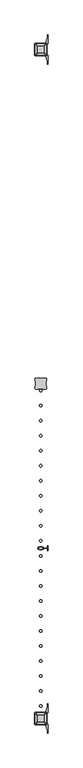
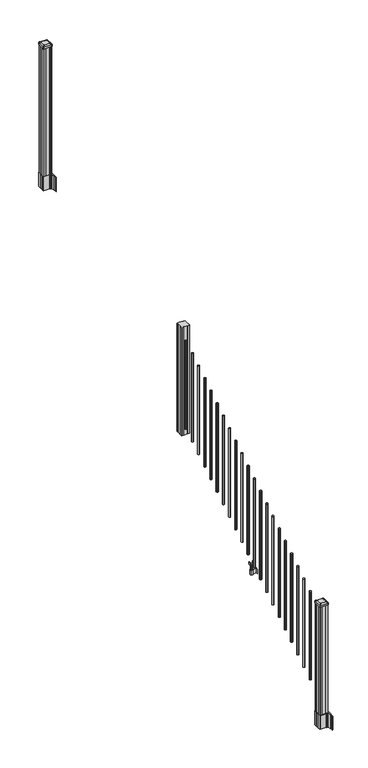
"""IFC4 building model written with IfcOpenShell, lengths in millimetres: railing geometry."""

import ifcopenshell
import ifcopenshell.guid

model = None  # the IFC model being written
_history = None  # IfcOwnerHistory: only IFC2X3 demands one
_inside = {}  # id of a spatial element -> (the spatial element, [elements in it])
_under = {}  # id of a project, library or spatial element -> (it, [spatial elements below it])
_declared = {}  # id of a project -> (the project, [libraries it declares])
_typed = {}  # id of a type object -> (the type object, [elements of that type])
_made_of = {}  # id of a material, layer set ... -> (it, [elements and type objects made of it])


def new_model(schema):
    """Start an empty IFC model of exactly this schema.

    Asked for "IFC4X3", IfcOpenShell would pick the latest addendum, in which some entities
    have other attributes; the version numbers below select the first issue.
    IFC2X3 requires an IfcOwnerHistory on every rooted entity: one is made here for all.
    """
    global model, _history
    if schema == "IFC4X3":
        model = ifcopenshell.file(schema_version=(4, 3, 0, 0))
    else:
        model = ifcopenshell.file(schema=schema)
    _inside.clear()
    _under.clear()
    _declared.clear()
    _typed.clear()
    _made_of.clear()
    _history = None
    if model.schema == "IFC2X3":
        org = make("IfcOrganization", Name="unknown")
        user = make(
            "IfcPersonAndOrganization",
            ThePerson=make("IfcPerson", FamilyName="unknown"),
            TheOrganization=org,
        )
        app = make(
            "IfcApplication",
            ApplicationDeveloper=org,
            Version="unknown",
            ApplicationFullName="unknown",
            ApplicationIdentifier="unknown",
        )
        _history = make(
            "IfcOwnerHistory",
            OwningUser=user,
            OwningApplication=app,
            ChangeAction="ADDED",
            CreationDate=0,
        )
    return model


def make(cls, **values):
    """One entity of the class cls with the attributes given. An attribute that is None is left unset."""
    return model.create_entity(
        cls, **{name: value for name, value in values.items() if value is not None}
    )


def rooted(cls, **values):
    """An entity with a GlobalId (a new one), such as an element, a storey or a relation."""
    return make(cls, GlobalId=ifcopenshell.guid.new(), OwnerHistory=_history, **values)


def si_unit(unit_type, name, prefix=None):
    """IfcSIUnit, for example si_unit("LENGTHUNIT", "METRE", prefix="MILLI")."""
    return make("IfcSIUnit", UnitType=unit_type, Prefix=prefix, Name=name)


def assignment(units):
    """IfcUnitAssignment: the units of a project."""
    return None if units is None else make("IfcUnitAssignment", Units=units)


def point(xyz):
    """IfcCartesianPoint."""
    return None if xyz is None else make("IfcCartesianPoint", Coordinates=xyz)


def direction(xyz):
    """IfcDirection."""
    return None if xyz is None else make("IfcDirection", DirectionRatios=xyz)


def frame(location, z_axis=None, x_axis=None):
    """IfcAxis2Placement3D, a coordinate frame: its origin and axes. An axis left out is left unset."""
    return make(
        "IfcAxis2Placement3D",
        Location=point(location),
        Axis=direction(z_axis),
        RefDirection=direction(x_axis),
    )


def frame_2d(location, x_axis=None):
    """IfcAxis2Placement2D, a coordinate frame in the plane: its origin and x axis."""
    return make(
        "IfcAxis2Placement2D", Location=point(location), RefDirection=direction(x_axis)
    )


def origin():
    """The frame at (0, 0, 0) with its axes left unset."""
    return frame((0.0, 0.0, 0.0))


def place(relative_to, where):
    """IfcLocalPlacement: puts the frame where relative to a parent placement (None: the world)."""
    return make(
        "IfcLocalPlacement", PlacementRelTo=relative_to, RelativePlacement=where
    )


def context(
    kind, dimensions, precision=None, world=None, true_north=None, identifier=None
):
    """IfcGeometricRepresentationContext, for example the 3D "Model" context."""
    return make(
        "IfcGeometricRepresentationContext",
        ContextIdentifier=identifier,
        ContextType=kind,
        CoordinateSpaceDimension=dimensions,
        Precision=precision,
        WorldCoordinateSystem=world,
        TrueNorth=true_north,
    )


def project(units=None, contexts=None):
    """IfcProject with its units and contexts."""
    return rooted(
        "IfcProject",
        Name="project",
        RepresentationContexts=contexts,
        UnitsInContext=assignment(units),
    )


def spatial(cls, under=None, at=None, **own):
    """A site, building, storey or space (cls), placed at a placement, below another one or the project."""
    s = rooted(cls, ObjectPlacement=at, **own)
    if under is not None:
        _under.setdefault(under.id(), (under, []))[1].append(s)
    return s


def polyline(points):
    """IfcPolyline through the points."""
    return make("IfcPolyline", Points=[point(p) for p in points])


def circle_curve(where, radius):
    """IfcCircle in the frame where."""
    return make("IfcCircle", Position=where, Radius=radius)


def trimmed(basis, trim1, trim2, sense, master):
    """IfcTrimmedCurve: the piece of a basis curve between two trims."""
    return make(
        "IfcTrimmedCurve",
        BasisCurve=basis,
        Trim1=trim1,
        Trim2=trim2,
        SenseAgreement=sense,
        MasterRepresentation=master,
    )


def segment(curve, same_sense, transition):
    """IfcCompositeCurveSegment."""
    return make(
        "IfcCompositeCurveSegment",
        Transition=transition,
        SameSense=same_sense,
        ParentCurve=curve,
    )


def composite_curve(segments, self_intersect=None):
    """IfcCompositeCurve: segments joined end to end."""
    return make("IfcCompositeCurve", Segments=segments, SelfIntersect=self_intersect)


def outline(outer, holes=None, kind="AREA"):
    """IfcArbitraryClosedProfileDef: a profile drawn as a closed curve; with holes, ...WithVoids."""
    if holes is None:
        return make("IfcArbitraryClosedProfileDef", ProfileType=kind, OuterCurve=outer)
    return make(
        "IfcArbitraryProfileDefWithVoids",
        ProfileType=kind,
        OuterCurve=outer,
        InnerCurves=holes,
    )


def extrude(swept, where, along, depth):
    """IfcExtrudedAreaSolid: the profile swept, set in the frame where, extruded along a direction by depth."""
    return make(
        "IfcExtrudedAreaSolid",
        SweptArea=swept,
        Position=where,
        ExtrudedDirection=direction(along),
        Depth=depth,
    )


def shape(context_of_items, identifier, shape_type, items):
    """IfcShapeRepresentation: the items that make up one representation, for example the "Body"."""
    return make(
        "IfcShapeRepresentation",
        ContextOfItems=context_of_items,
        RepresentationIdentifier=identifier,
        RepresentationType=shape_type,
        Items=items,
    )


def source(mapping_origin, context_of_items, identifier, shape_type, items):
    """IfcRepresentationMap: a shape defined once, which mapped items show again and again."""
    return make(
        "IfcRepresentationMap",
        MappingOrigin=mapping_origin,
        MappedRepresentation=shape(context_of_items, identifier, shape_type, items),
    )


def transform(
    local_origin,
    x_axis=None,
    y_axis=None,
    z_axis=None,
    scale=None,
    scale2=None,
    scale3=None,
    uniform=True,
):
    """IfcCartesianTransformationOperator3D, or its non-uniform kind. x_axis, y_axis, z_axis: its Axis1, 2, 3."""
    if uniform:
        return make(
            "IfcCartesianTransformationOperator3D",
            Axis1=direction(x_axis),
            Axis2=direction(y_axis),
            LocalOrigin=point(local_origin),
            Scale=scale,
            Axis3=direction(z_axis),
        )
    return make(
        "IfcCartesianTransformationOperator3DnonUniform",
        Axis1=direction(x_axis),
        Axis2=direction(y_axis),
        LocalOrigin=point(local_origin),
        Scale=scale,
        Axis3=direction(z_axis),
        Scale2=scale2,
        Scale3=scale3,
    )


def mapped(mapping_source, mapping_target):
    """IfcMappedItem: shows the shape of a source again, moved by a transform."""
    return make(
        "IfcMappedItem", MappingSource=mapping_source, MappingTarget=mapping_target
    )


def made_of(thing, what):
    """Note that an element or type object is made of a material, layer set ...; save() writes the relation."""
    if what is not None:
        _made_of.setdefault(what.id(), (what, []))[1].append(thing)
    return thing


def element(
    cls,
    number,
    at=None,
    inside=None,
    cuts=None,
    type_object=None,
    material=None,
    context=None,
    identifier="Body",
    shape_type=None,
    held_by="IfcProductDefinitionShape",
    body=None,
    shapes=None,
    **own,
):
    """One element of the class cls, such as IfcWall. Its Tag is "e" and its number.

    at: its placement. inside: the storey or other place that contains it. cuts: it is an
    opening in that element (IfcRelVoidsElement). A single representation is given by context,
    identifier, shape_type and body (its items); several are given by shapes. held_by: the class
    of the entity that holds the representations. save() writes the other relations.
    """
    e = rooted(cls, Tag="e%d" % number, ObjectPlacement=at, **own)
    if body is not None:
        shapes = [shape(context, identifier, shape_type, body)]
    if shapes is not None:
        e.Representation = make(held_by, Representations=shapes)
    if inside is not None:
        _inside.setdefault(inside.id(), (inside, []))[1].append(e)
    if cuts is not None:
        rooted(
            "IfcRelVoidsElement", RelatingBuildingElement=cuts, RelatedOpeningElement=e
        )
    if type_object is not None:
        _typed.setdefault(type_object.id(), (type_object, []))[1].append(e)
    return made_of(e, material)


def aggregate(whole, parts):
    """IfcRelAggregates: a whole, such as a stair, and the parts it consists of."""
    return rooted("IfcRelAggregates", RelatingObject=whole, RelatedObjects=parts)


def save(model, path):
    """Write the relations noted so far, then the file.

    IfcRelAggregates (storeys below a building ...), IfcRelContainedInSpatialStructure (elements
    in a storey), IfcRelDefinesByType, IfcRelAssociatesMaterial and IfcRelDeclares: one each for
    every whole, place, type object, material and project.
    """
    for whole, parts in _under.values():
        aggregate(whole, parts)
    for where, things in _inside.values():
        rooted(
            "IfcRelContainedInSpatialStructure",
            RelatedElements=things,
            RelatingStructure=where,
        )
    for kind, things in _typed.values():
        rooted("IfcRelDefinesByType", RelatedObjects=things, RelatingType=kind)
    for what, things in _made_of.values():
        rooted("IfcRelAssociatesMaterial", RelatedObjects=things, RelatingMaterial=what)
    for by, libraries in _declared.values():
        rooted("IfcRelDeclares", RelatingContext=by, RelatedDefinitions=libraries)
    model.write(path)


def plane_surface(at):
    """IfcPlane: the flat surface through the origin of the frame at, square to its z axis."""
    return make("IfcPlane", Position=at)


def extruded_surface(curve, direction_of_extrusion, depth):
    """IfcSurfaceOfLinearExtrusion: the curve pushed along a direction by depth."""
    return make(
        "IfcSurfaceOfLinearExtrusion",
        SweptCurve=make("IfcArbitraryOpenProfileDef", ProfileType="CURVE", Curve=curve),
        ExtrudedDirection=direction(direction_of_extrusion),
        Depth=depth,
    )


def advanced_brep(points, edges, surfaces, faces):
    """IfcAdvancedBrep: a solid bounded by faces that lie on surfaces and meet in shared edges.

    An edge is (start, end): straight between two places in points (the first is 0);
    or (start, end, curve); or (start, end, curve, False) where it runs against its curve.
    A face is (place in surfaces, loops), or (place, loops, False) where it looks against
    its surface's normal. A loop lists edges by number (the first is 1), with a minus sign
    where the edge is run from its end to its start. The first loop is the outer one.
    """
    corners = [point(p) for p in points]
    vertices = [make("IfcVertexPoint", VertexGeometry=c) for c in corners]
    made = []
    for start, end, *more in edges:
        made.append(
            make(
                "IfcEdgeCurve",
                EdgeStart=vertices[start],
                EdgeEnd=vertices[end],
                EdgeGeometry=more[0] if more else make("IfcPolyline", Points=[corners[start], corners[end]]),
                SameSense=more[1] if len(more) > 1 else True,
            )
        )
    hull = []
    for where, loops, *sense in faces:
        bounds = []
        for j, loop in enumerate(loops):
            ring = [make("IfcOrientedEdge", EdgeElement=made[abs(k) - 1], Orientation=k > 0) for k in loop]
            bounds.append(
                make(
                    "IfcFaceOuterBound" if j == 0 else "IfcFaceBound",
                    Bound=make("IfcEdgeLoop", EdgeList=ring),
                    Orientation=True,
                )
            )
        hull.append(make("IfcAdvancedFace", Bounds=bounds, FaceSurface=surfaces[where], SameSense=sense[0] if sense else True))
    return make("IfcAdvancedBrep", Outer=make("IfcClosedShell", CfsFaces=hull))


def railing_9cf5c9b8(model_context):
    return source(origin(), model_context, "Body", "SolidModel", [
        extrude(outline(polyline([(10264.3958284, -19900.5544681), (10244.7743284, -19900.5544681), (10244.0123284, -19898.9669681), (10205.4043284, -19898.9669681), (10204.6423284, -19900.5544681), (10185.0208284, -19900.5544681), (10183.4333284, -19898.9669681), (10183.4333284, -19879.3454681), (10185.0208284, -19878.5834681), (10185.0208284, -19839.9754681), (10183.4333284, -19839.2134681), (10183.4333284, -19819.5919681), (10185.0208284, -19818.0044681), (10204.6423284, -19818.0044681), (10205.4043284, -19819.5919681), (10244.0123284, -19819.5919681), (10244.7743284, -19818.0044681), (10264.3958284, -19818.0044681), (10265.9833284, -19819.5919681), (10265.9833284, -19839.2134681), (10264.3958284, -19839.9754681), (10264.3958284, -19878.5834681), (10265.9833284, -19879.3454681), (10265.9833284, -19898.9669681), (10264.3958284, -19900.5544681)])), frame((0.0, 0.0, 1716.0875), z_axis=(0.0, 0.0, 1.0), x_axis=(1.0, 0.0, 0.0)), (0.0, 0.0, 1.0), 1183.764263),
        extrude(outline(composite_curve([segment(trimmed(circle_curve(frame_2d((10224.7083284, -19911.6034681)), 9.525), [point((10215.1833284, -19911.6034681))], [point((10224.7083284, -19902.0784681))], False, "CARTESIAN"), True, "CONTINUOUS"), segment(trimmed(circle_curve(frame_2d((10224.7083284, -19911.6034681)), 9.525), [point((10224.7083284, -19902.0784681))], [point((10234.2333284, -19911.6034681))], False, "CARTESIAN"), True, "CONTINUOUS"), segment(trimmed(circle_curve(frame_2d((10224.7083284, -19911.6034681)), 9.525), [point((10234.2333284, -19911.6034681))], [point((10224.7083284, -19921.1284681))], False, "CARTESIAN"), True, "CONTINUOUS"), segment(trimmed(circle_curve(frame_2d((10224.7083284, -19911.6034681)), 9.525), [point((10224.7083284, -19921.1284681))], [point((10215.1833284, -19911.6034681))], False, "CARTESIAN"), True, "CONTINUOUS")], self_intersect=False)), frame((0.0, 0.0, 1784.9808781), z_axis=(0.0, 0.0, 1.0), x_axis=(1.0, 0.0, 0.0)), (0.0, 0.0, 1.0), 965.2041219),
        extrude(outline(composite_curve([segment(trimmed(circle_curve(frame_2d((10224.7083284, -20022.8554681)), 9.525), [point((10215.1833284, -20022.8554681))], [point((10224.7083284, -20013.3304681))], False, "CARTESIAN"), True, "CONTINUOUS"), segment(trimmed(circle_curve(frame_2d((10224.7083284, -20022.8554681)), 9.525), [point((10224.7083284, -20013.3304681))], [point((10234.2333284, -20022.8554681))], False, "CARTESIAN"), True, "CONTINUOUS"), segment(trimmed(circle_curve(frame_2d((10224.7083284, -20022.8554681)), 9.525), [point((10234.2333284, -20022.8554681))], [point((10224.7083284, -20032.3804681))], False, "CARTESIAN"), True, "CONTINUOUS"), segment(trimmed(circle_curve(frame_2d((10224.7083284, -20022.8554681)), 9.525), [point((10224.7083284, -20032.3804681))], [point((10215.1833284, -20022.8554681))], False, "CARTESIAN"), True, "CONTINUOUS")], self_intersect=False)), frame((0.0, 0.0, 1715.4483781), z_axis=(0.0, 0.0, 1.0), x_axis=(1.0, 0.0, 0.0)), (0.0, 0.0, 1.0), 965.2041219),
        extrude(outline(composite_curve([segment(trimmed(circle_curve(frame_2d((10224.7083284, -20134.1074681)), 9.525), [point((10215.1833284, -20134.1074681))], [point((10224.7083284, -20124.5824681))], False, "CARTESIAN"), True, "CONTINUOUS"), segment(trimmed(circle_curve(frame_2d((10224.7083284, -20134.1074681)), 9.525), [point((10224.7083284, -20124.5824681))], [point((10234.2333284, -20134.1074681))], False, "CARTESIAN"), True, "CONTINUOUS"), segment(trimmed(circle_curve(frame_2d((10224.7083284, -20134.1074681)), 9.525), [point((10234.2333284, -20134.1074681))], [point((10224.7083284, -20143.6324681))], False, "CARTESIAN"), True, "CONTINUOUS"), segment(trimmed(circle_curve(frame_2d((10224.7083284, -20134.1074681)), 9.525), [point((10224.7083284, -20143.6324681))], [point((10215.1833284, -20134.1074681))], False, "CARTESIAN"), True, "CONTINUOUS")], self_intersect=False)), frame((0.0, 0.0, 1645.9158781), z_axis=(0.0, 0.0, 1.0), x_axis=(1.0, 0.0, 0.0)), (0.0, 0.0, 1.0), 965.2041219),
        extrude(outline(composite_curve([segment(trimmed(circle_curve(frame_2d((10224.7083284, -20245.3594681)), 9.525), [point((10215.1833284, -20245.3594681))], [point((10224.7083284, -20235.8344681))], False, "CARTESIAN"), True, "CONTINUOUS"), segment(trimmed(circle_curve(frame_2d((10224.7083284, -20245.3594681)), 9.525), [point((10224.7083284, -20235.8344681))], [point((10234.2333284, -20245.3594681))], False, "CARTESIAN"), True, "CONTINUOUS"), segment(trimmed(circle_curve(frame_2d((10224.7083284, -20245.3594681)), 9.525), [point((10234.2333284, -20245.3594681))], [point((10224.7083284, -20254.8844681))], False, "CARTESIAN"), True, "CONTINUOUS"), segment(trimmed(circle_curve(frame_2d((10224.7083284, -20245.3594681)), 9.525), [point((10224.7083284, -20254.8844681))], [point((10215.1833284, -20245.3594681))], False, "CARTESIAN"), True, "CONTINUOUS")], self_intersect=False)), frame((0.0, 0.0, 1576.3833781), z_axis=(0.0, 0.0, 1.0), x_axis=(1.0, 0.0, 0.0)), (0.0, 0.0, 1.0), 965.2041219),
        extrude(outline(composite_curve([segment(trimmed(circle_curve(frame_2d((10224.7083284, -20356.6114681)), 9.525), [point((10215.1833284, -20356.6114681))], [point((10224.7083284, -20347.0864681))], False, "CARTESIAN"), True, "CONTINUOUS"), segment(trimmed(circle_curve(frame_2d((10224.7083284, -20356.6114681)), 9.525), [point((10224.7083284, -20347.0864681))], [point((10234.2333284, -20356.6114681))], False, "CARTESIAN"), True, "CONTINUOUS"), segment(trimmed(circle_curve(frame_2d((10224.7083284, -20356.6114681)), 9.525), [point((10234.2333284, -20356.6114681))], [point((10224.7083284, -20366.1364681))], False, "CARTESIAN"), True, "CONTINUOUS"), segment(trimmed(circle_curve(frame_2d((10224.7083284, -20356.6114681)), 9.525), [point((10224.7083284, -20366.1364681))], [point((10215.1833284, -20356.6114681))], False, "CARTESIAN"), True, "CONTINUOUS")], self_intersect=False)), frame((0.0, 0.0, 1506.8508781), z_axis=(0.0, 0.0, 1.0), x_axis=(1.0, 0.0, 0.0)), (0.0, 0.0, 1.0), 965.2041219),
        extrude(outline(composite_curve([segment(trimmed(circle_curve(frame_2d((10224.7083284, -20467.8634681)), 9.525), [point((10215.1833284, -20467.8634681))], [point((10224.7083284, -20458.3384681))], False, "CARTESIAN"), True, "CONTINUOUS"), segment(trimmed(circle_curve(frame_2d((10224.7083284, -20467.8634681)), 9.525), [point((10224.7083284, -20458.3384681))], [point((10234.2333284, -20467.8634681))], False, "CARTESIAN"), True, "CONTINUOUS"), segment(trimmed(circle_curve(frame_2d((10224.7083284, -20467.8634681)), 9.525), [point((10234.2333284, -20467.8634681))], [point((10224.7083284, -20477.3884681))], False, "CARTESIAN"), True, "CONTINUOUS"), segment(trimmed(circle_curve(frame_2d((10224.7083284, -20467.8634681)), 9.525), [point((10224.7083284, -20477.3884681))], [point((10215.1833284, -20467.8634681))], False, "CARTESIAN"), True, "CONTINUOUS")], self_intersect=False)), frame((0.0, 0.0, 1437.3183781), z_axis=(0.0, 0.0, 1.0), x_axis=(1.0, 0.0, 0.0)), (0.0, 0.0, 1.0), 965.2041219),
        extrude(outline(composite_curve([segment(trimmed(circle_curve(frame_2d((10224.7083284, -20579.1154681)), 9.525), [point((10215.1833284, -20579.1154681))], [point((10224.7083284, -20569.5904681))], False, "CARTESIAN"), True, "CONTINUOUS"), segment(trimmed(circle_curve(frame_2d((10224.7083284, -20579.1154681)), 9.525), [point((10224.7083284, -20569.5904681))], [point((10234.2333284, -20579.1154681))], False, "CARTESIAN"), True, "CONTINUOUS"), segment(trimmed(circle_curve(frame_2d((10224.7083284, -20579.1154681)), 9.525), [point((10234.2333284, -20579.1154681))], [point((10224.7083284, -20588.6404681))], False, "CARTESIAN"), True, "CONTINUOUS"), segment(trimmed(circle_curve(frame_2d((10224.7083284, -20579.1154681)), 9.525), [point((10224.7083284, -20588.6404681))], [point((10215.1833284, -20579.1154681))], False, "CARTESIAN"), True, "CONTINUOUS")], self_intersect=False)), frame((0.0, 0.0, 1367.7858781), z_axis=(0.0, 0.0, 1.0), x_axis=(1.0, 0.0, 0.0)), (0.0, 0.0, 1.0), 965.2041219),
        extrude(outline(composite_curve([segment(trimmed(circle_curve(frame_2d((10224.7083284, -20690.3674681)), 9.525), [point((10215.1833284, -20690.3674681))], [point((10224.7083284, -20680.8424681))], False, "CARTESIAN"), True, "CONTINUOUS"), segment(trimmed(circle_curve(frame_2d((10224.7083284, -20690.3674681)), 9.525), [point((10224.7083284, -20680.8424681))], [point((10234.2333284, -20690.3674681))], False, "CARTESIAN"), True, "CONTINUOUS"), segment(trimmed(circle_curve(frame_2d((10224.7083284, -20690.3674681)), 9.525), [point((10234.2333284, -20690.3674681))], [point((10224.7083284, -20699.8924681))], False, "CARTESIAN"), True, "CONTINUOUS"), segment(trimmed(circle_curve(frame_2d((10224.7083284, -20690.3674681)), 9.525), [point((10224.7083284, -20699.8924681))], [point((10215.1833284, -20690.3674681))], False, "CARTESIAN"), True, "CONTINUOUS")], self_intersect=False)), frame((0.0, 0.0, 1298.2533781), z_axis=(0.0, 0.0, 1.0), x_axis=(1.0, 0.0, 0.0)), (0.0, 0.0, 1.0), 965.2041219),
        extrude(outline(composite_curve([segment(trimmed(circle_curve(frame_2d((10224.7083284, -20801.6194681)), 9.525), [point((10215.1833284, -20801.6194681))], [point((10224.7083284, -20792.0944681))], False, "CARTESIAN"), True, "CONTINUOUS"), segment(trimmed(circle_curve(frame_2d((10224.7083284, -20801.6194681)), 9.525), [point((10224.7083284, -20792.0944681))], [point((10234.2333284, -20801.6194681))], False, "CARTESIAN"), True, "CONTINUOUS"), segment(trimmed(circle_curve(frame_2d((10224.7083284, -20801.6194681)), 9.525), [point((10234.2333284, -20801.6194681))], [point((10224.7083284, -20811.1444681))], False, "CARTESIAN"), True, "CONTINUOUS"), segment(trimmed(circle_curve(frame_2d((10224.7083284, -20801.6194681)), 9.525), [point((10224.7083284, -20811.1444681))], [point((10215.1833284, -20801.6194681))], False, "CARTESIAN"), True, "CONTINUOUS")], self_intersect=False)), frame((0.0, 0.0, 1228.7208781), z_axis=(0.0, 0.0, 1.0), x_axis=(1.0, 0.0, 0.0)), (0.0, 0.0, 1.0), 965.2041219),
        extrude(outline(composite_curve([segment(trimmed(circle_curve(frame_2d((10224.7083284, -20912.8714681)), 9.525), [point((10215.1833284, -20912.8714681))], [point((10224.7083284, -20903.3464681))], False, "CARTESIAN"), True, "CONTINUOUS"), segment(trimmed(circle_curve(frame_2d((10224.7083284, -20912.8714681)), 9.525), [point((10224.7083284, -20903.3464681))], [point((10234.2333284, -20912.8714681))], False, "CARTESIAN"), True, "CONTINUOUS"), segment(trimmed(circle_curve(frame_2d((10224.7083284, -20912.8714681)), 9.525), [point((10234.2333284, -20912.8714681))], [point((10224.7083284, -20922.3964681))], False, "CARTESIAN"), True, "CONTINUOUS"), segment(trimmed(circle_curve(frame_2d((10224.7083284, -20912.8714681)), 9.525), [point((10224.7083284, -20922.3964681))], [point((10215.1833284, -20912.8714681))], False, "CARTESIAN"), True, "CONTINUOUS")], self_intersect=False)), frame((0.0, 0.0, 1159.1883781), z_axis=(0.0, 0.0, 1.0), x_axis=(1.0, 0.0, 0.0)), (0.0, 0.0, 1.0), 965.2041219),
        extrude(outline(composite_curve([segment(trimmed(circle_curve(frame_2d((10224.7083284, -21024.1234681)), 9.525), [point((10215.1833284, -21024.1234681))], [point((10224.7083284, -21014.5984681))], False, "CARTESIAN"), True, "CONTINUOUS"), segment(trimmed(circle_curve(frame_2d((10224.7083284, -21024.1234681)), 9.525), [point((10224.7083284, -21014.5984681))], [point((10234.2333284, -21024.1234681))], False, "CARTESIAN"), True, "CONTINUOUS"), segment(trimmed(circle_curve(frame_2d((10224.7083284, -21024.1234681)), 9.525), [point((10234.2333284, -21024.1234681))], [point((10224.7083284, -21033.6484681))], False, "CARTESIAN"), True, "CONTINUOUS"), segment(trimmed(circle_curve(frame_2d((10224.7083284, -21024.1234681)), 9.525), [point((10224.7083284, -21033.6484681))], [point((10215.1833284, -21024.1234681))], False, "CARTESIAN"), True, "CONTINUOUS")], self_intersect=False)), frame((0.0, 0.0, 1089.6558781), z_axis=(0.0, 0.0, 1.0), x_axis=(1.0, 0.0, 0.0)), (0.0, 0.0, 1.0), 965.2041219),
        extrude(outline(polyline([(10235.3763282, -21081.0194681), (10235.3763282, -21078.4794681), (10274.7463284, -21078.4794681), (10274.7463284, -21081.0194681), (10235.3763282, -21081.0194681)])), frame((0.0, 0.0, 902.49375), z_axis=(0.0, 0.0, 1.0), x_axis=(1.0, 0.0, 0.0)), (0.0, 0.0, 1.0), 50.8),
        extrude(outline(polyline([(10274.7463284, -21098.7994681), (10274.7463284, -21060.6994681), (10277.2863284, -21060.6994681), (10277.2863284, -21098.7994681), (10274.7463284, -21098.7994681)])), frame((0.0, 0.0, 902.49375), z_axis=(0.0, 0.0, 1.0), x_axis=(1.0, 0.0, 0.0)), (0.0, 0.0, 1.0), 50.8),
        extrude(outline(polyline([(10214.0403276, -21089.6554681), (10214.0403276, -21069.8434681), (10235.3763282, -21069.8434681), (10235.3763282, -21089.6554681), (10214.0403276, -21089.6554681)]), holes=[polyline([(10217.3423277, -21087.1154681), (10232.0743281, -21087.1154681), (10232.0743281, -21072.3834681), (10217.3423277, -21072.3834681), (10217.3423277, -21087.1154681)])]), frame((0.0, 0.0, 902.49375), z_axis=(0.0, 0.0, 1.0), x_axis=(1.0, 0.0, 0.0)), (0.0, 0.0, 1.0), 50.8),
        extrude(outline(polyline([(1042.0141479, 10242.8693272), (1042.0141479, 10240.8373276), (1040.9981453, 10239.8213278), (1030.5623581, 10239.8213278), (1029.5463573, 10240.8373276), (1017.555751, 10240.8373276), (1016.7937519, 10240.0753285), (1016.7937519, 10209.3413273), (1017.555751, 10208.5793282), (1029.5463573, 10208.5793282), (1030.5623581, 10209.595328), (1040.9981453, 10209.595328), (1042.0141479, 10208.5793282), (1042.0141479, 10206.5473286), (1041.2521469, 10205.7853276), (1014.7617523, 10205.7853276), (1013.9997513, 10206.5473286), (1013.9997513, 10216.5803276), (1013.2377512, 10217.3423277), (949.7377512, 10217.3423277), (949.7377512, 10232.0743281), (1013.2377512, 10232.0743281), (1013.9997513, 10232.8363282), (1013.9997513, 10242.8693272), (1014.7617523, 10243.6313282), (1041.2521469, 10243.6313282), (1042.0141479, 10242.8693272)]), holes=[polyline([(1013.9997513, 10221.279328), (1013.9997513, 10228.1373278), (1013.2377512, 10228.8993279), (957.2307503, 10228.8993279), (956.4687531, 10228.1373307), (956.4687531, 10221.279328), (957.2307531, 10220.5173279), (1013.2377512, 10220.5173279), (1013.9997513, 10221.279328)])]), frame((0.0, -21087.1154681, 0.0), z_axis=(0.0, 1.0, 0.0), x_axis=(0.0, 0.0, 1.0)), (0.0, 0.0, 1.0), 14.732),
        extrude(outline(composite_curve([segment(trimmed(circle_curve(frame_2d((10224.7083284, -21135.3754681)), 9.525), [point((10215.1833284, -21135.3754681))], [point((10224.7083284, -21125.8504681))], False, "CARTESIAN"), True, "CONTINUOUS"), segment(trimmed(circle_curve(frame_2d((10224.7083284, -21135.3754681)), 9.525), [point((10224.7083284, -21125.8504681))], [point((10234.2333284, -21135.3754681))], False, "CARTESIAN"), True, "CONTINUOUS"), segment(trimmed(circle_curve(frame_2d((10224.7083284, -21135.3754681)), 9.525), [point((10234.2333284, -21135.3754681))], [point((10224.7083284, -21144.9004681))], False, "CARTESIAN"), True, "CONTINUOUS"), segment(trimmed(circle_curve(frame_2d((10224.7083284, -21135.3754681)), 9.525), [point((10224.7083284, -21144.9004681))], [point((10215.1833284, -21135.3754681))], False, "CARTESIAN"), True, "CONTINUOUS")], self_intersect=False)), frame((0.0, 0.0, 1020.1233781), z_axis=(0.0, 0.0, 1.0), x_axis=(1.0, 0.0, 0.0)), (0.0, 0.0, 1.0), 965.2041219),
        extrude(outline(composite_curve([segment(trimmed(circle_curve(frame_2d((10224.7083284, -21246.6274681)), 9.525), [point((10215.1833284, -21246.6274681))], [point((10224.7083284, -21237.1024681))], False, "CARTESIAN"), True, "CONTINUOUS"), segment(trimmed(circle_curve(frame_2d((10224.7083284, -21246.6274681)), 9.525), [point((10224.7083284, -21237.1024681))], [point((10234.2333284, -21246.6274681))], False, "CARTESIAN"), True, "CONTINUOUS"), segment(trimmed(circle_curve(frame_2d((10224.7083284, -21246.6274681)), 9.525), [point((10234.2333284, -21246.6274681))], [point((10224.7083284, -21256.1524681))], False, "CARTESIAN"), True, "CONTINUOUS"), segment(trimmed(circle_curve(frame_2d((10224.7083284, -21246.6274681)), 9.525), [point((10224.7083284, -21256.1524681))], [point((10215.1833284, -21246.6274681))], False, "CARTESIAN"), True, "CONTINUOUS")], self_intersect=False)), frame((0.0, 0.0, 950.5908781), z_axis=(0.0, 0.0, 1.0), x_axis=(1.0, 0.0, 0.0)), (0.0, 0.0, 1.0), 965.2041219),
        extrude(outline(composite_curve([segment(trimmed(circle_curve(frame_2d((10224.7083284, -21357.8794681)), 9.525), [point((10215.1833284, -21357.8794681))], [point((10224.7083284, -21348.3544681))], False, "CARTESIAN"), True, "CONTINUOUS"), segment(trimmed(circle_curve(frame_2d((10224.7083284, -21357.8794681)), 9.525), [point((10224.7083284, -21348.3544681))], [point((10234.2333284, -21357.8794681))], False, "CARTESIAN"), True, "CONTINUOUS"), segment(trimmed(circle_curve(frame_2d((10224.7083284, -21357.8794681)), 9.525), [point((10234.2333284, -21357.8794681))], [point((10224.7083284, -21367.4044681))], False, "CARTESIAN"), True, "CONTINUOUS"), segment(trimmed(circle_curve(frame_2d((10224.7083284, -21357.8794681)), 9.525), [point((10224.7083284, -21367.4044681))], [point((10215.1833284, -21357.8794681))], False, "CARTESIAN"), True, "CONTINUOUS")], self_intersect=False)), frame((0.0, 0.0, 881.0583781), z_axis=(0.0, 0.0, 1.0), x_axis=(1.0, 0.0, 0.0)), (0.0, 0.0, 1.0), 965.2041219),
        extrude(outline(composite_curve([segment(trimmed(circle_curve(frame_2d((10224.7083284, -21469.1314681)), 9.525), [point((10215.1833284, -21469.1314681))], [point((10224.7083284, -21459.6064681))], False, "CARTESIAN"), True, "CONTINUOUS"), segment(trimmed(circle_curve(frame_2d((10224.7083284, -21469.1314681)), 9.525), [point((10224.7083284, -21459.6064681))], [point((10234.2333284, -21469.1314681))], False, "CARTESIAN"), True, "CONTINUOUS"), segment(trimmed(circle_curve(frame_2d((10224.7083284, -21469.1314681)), 9.525), [point((10234.2333284, -21469.1314681))], [point((10224.7083284, -21478.6564681))], False, "CARTESIAN"), True, "CONTINUOUS"), segment(trimmed(circle_curve(frame_2d((10224.7083284, -21469.1314681)), 9.525), [point((10224.7083284, -21478.6564681))], [point((10215.1833284, -21469.1314681))], False, "CARTESIAN"), True, "CONTINUOUS")], self_intersect=False)), frame((0.0, 0.0, 811.5258781), z_axis=(0.0, 0.0, 1.0), x_axis=(1.0, 0.0, 0.0)), (0.0, 0.0, 1.0), 965.2041219),
        extrude(outline(composite_curve([segment(trimmed(circle_curve(frame_2d((10224.7083284, -21580.3834681)), 9.525), [point((10215.1833284, -21580.3834681))], [point((10224.7083284, -21570.8584681))], False, "CARTESIAN"), True, "CONTINUOUS"), segment(trimmed(circle_curve(frame_2d((10224.7083284, -21580.3834681)), 9.525), [point((10224.7083284, -21570.8584681))], [point((10234.2333284, -21580.3834681))], False, "CARTESIAN"), True, "CONTINUOUS"), segment(trimmed(circle_curve(frame_2d((10224.7083284, -21580.3834681)), 9.525), [point((10234.2333284, -21580.3834681))], [point((10224.7083284, -21589.9084681))], False, "CARTESIAN"), True, "CONTINUOUS"), segment(trimmed(circle_curve(frame_2d((10224.7083284, -21580.3834681)), 9.525), [point((10224.7083284, -21589.9084681))], [point((10215.1833284, -21580.3834681))], False, "CARTESIAN"), True, "CONTINUOUS")], self_intersect=False)), frame((0.0, 0.0, 741.9933781), z_axis=(0.0, 0.0, 1.0), x_axis=(1.0, 0.0, 0.0)), (0.0, 0.0, 1.0), 965.2041219),
        extrude(outline(composite_curve([segment(trimmed(circle_curve(frame_2d((10224.7083284, -21691.6354681)), 9.525), [point((10215.1833284, -21691.6354681))], [point((10224.7083284, -21682.1104681))], False, "CARTESIAN"), True, "CONTINUOUS"), segment(trimmed(circle_curve(frame_2d((10224.7083284, -21691.6354681)), 9.525), [point((10224.7083284, -21682.1104681))], [point((10234.2333284, -21691.6354681))], False, "CARTESIAN"), True, "CONTINUOUS"), segment(trimmed(circle_curve(frame_2d((10224.7083284, -21691.6354681)), 9.525), [point((10234.2333284, -21691.6354681))], [point((10224.7083284, -21701.1604681))], False, "CARTESIAN"), True, "CONTINUOUS"), segment(trimmed(circle_curve(frame_2d((10224.7083284, -21691.6354681)), 9.525), [point((10224.7083284, -21701.1604681))], [point((10215.1833284, -21691.6354681))], False, "CARTESIAN"), True, "CONTINUOUS")], self_intersect=False)), frame((0.0, 0.0, 672.4608781), z_axis=(0.0, 0.0, 1.0), x_axis=(1.0, 0.0, 0.0)), (0.0, 0.0, 1.0), 965.2041219),
        extrude(outline(composite_curve([segment(trimmed(circle_curve(frame_2d((10224.7083284, -21802.8874681)), 9.525), [point((10215.1833284, -21802.8874681))], [point((10224.7083284, -21793.3624681))], False, "CARTESIAN"), True, "CONTINUOUS"), segment(trimmed(circle_curve(frame_2d((10224.7083284, -21802.8874681)), 9.525), [point((10224.7083284, -21793.3624681))], [point((10234.2333284, -21802.8874681))], False, "CARTESIAN"), True, "CONTINUOUS"), segment(trimmed(circle_curve(frame_2d((10224.7083284, -21802.8874681)), 9.525), [point((10234.2333284, -21802.8874681))], [point((10224.7083284, -21812.4124681))], False, "CARTESIAN"), True, "CONTINUOUS"), segment(trimmed(circle_curve(frame_2d((10224.7083284, -21802.8874681)), 9.525), [point((10224.7083284, -21812.4124681))], [point((10215.1833284, -21802.8874681))], False, "CARTESIAN"), True, "CONTINUOUS")], self_intersect=False)), frame((0.0, 0.0, 602.9283781), z_axis=(0.0, 0.0, 1.0), x_axis=(1.0, 0.0, 0.0)), (0.0, 0.0, 1.0), 965.2041219),
        extrude(outline(composite_curve([segment(trimmed(circle_curve(frame_2d((10224.7083284, -21914.1394681)), 9.525), [point((10215.1833284, -21914.1394681))], [point((10224.7083284, -21904.6144681))], False, "CARTESIAN"), True, "CONTINUOUS"), segment(trimmed(circle_curve(frame_2d((10224.7083284, -21914.1394681)), 9.525), [point((10224.7083284, -21904.6144681))], [point((10234.2333284, -21914.1394681))], False, "CARTESIAN"), True, "CONTINUOUS"), segment(trimmed(circle_curve(frame_2d((10224.7083284, -21914.1394681)), 9.525), [point((10234.2333284, -21914.1394681))], [point((10224.7083284, -21923.6644681))], False, "CARTESIAN"), True, "CONTINUOUS"), segment(trimmed(circle_curve(frame_2d((10224.7083284, -21914.1394681)), 9.525), [point((10224.7083284, -21923.6644681))], [point((10215.1833284, -21914.1394681))], False, "CARTESIAN"), True, "CONTINUOUS")], self_intersect=False)), frame((0.0, 0.0, 533.3958781), z_axis=(0.0, 0.0, 1.0), x_axis=(1.0, 0.0, 0.0)), (0.0, 0.0, 1.0), 965.2041219),
        extrude(outline(composite_curve([segment(trimmed(circle_curve(frame_2d((10224.7083284, -22025.3914681)), 9.525), [point((10215.1833284, -22025.3914681))], [point((10224.7083284, -22015.8664681))], False, "CARTESIAN"), True, "CONTINUOUS"), segment(trimmed(circle_curve(frame_2d((10224.7083284, -22025.3914681)), 9.525), [point((10224.7083284, -22015.8664681))], [point((10234.2333284, -22025.3914681))], False, "CARTESIAN"), True, "CONTINUOUS"), segment(trimmed(circle_curve(frame_2d((10224.7083284, -22025.3914681)), 9.525), [point((10234.2333284, -22025.3914681))], [point((10224.7083284, -22034.9164681))], False, "CARTESIAN"), True, "CONTINUOUS"), segment(trimmed(circle_curve(frame_2d((10224.7083284, -22025.3914681)), 9.525), [point((10224.7083284, -22034.9164681))], [point((10215.1833284, -22025.3914681))], False, "CARTESIAN"), True, "CONTINUOUS")], self_intersect=False)), frame((0.0, 0.0, 463.8633781), z_axis=(0.0, 0.0, 1.0), x_axis=(1.0, 0.0, 0.0)), (0.0, 0.0, 1.0), 965.2041219),
        extrude(outline(composite_curve([segment(trimmed(circle_curve(frame_2d((10224.7083284, -22136.6434681)), 9.525), [point((10215.1833284, -22136.6434681))], [point((10224.7083284, -22127.1184681))], False, "CARTESIAN"), True, "CONTINUOUS"), segment(trimmed(circle_curve(frame_2d((10224.7083284, -22136.6434681)), 9.525), [point((10224.7083284, -22127.1184681))], [point((10234.2333284, -22136.6434681))], False, "CARTESIAN"), True, "CONTINUOUS"), segment(trimmed(circle_curve(frame_2d((10224.7083284, -22136.6434681)), 9.525), [point((10234.2333284, -22136.6434681))], [point((10224.7083284, -22146.1684681))], False, "CARTESIAN"), True, "CONTINUOUS"), segment(trimmed(circle_curve(frame_2d((10224.7083284, -22136.6434681)), 9.525), [point((10224.7083284, -22146.1684681))], [point((10215.1833284, -22136.6434681))], False, "CARTESIAN"), True, "CONTINUOUS")], self_intersect=False)), frame((0.0, 0.0, 394.3308781), z_axis=(0.0, 0.0, 1.0), x_axis=(1.0, 0.0, 0.0)), (0.0, 0.0, 1.0), 965.2041219),
        extrude(outline(composite_curve([segment(trimmed(circle_curve(frame_2d((10224.7083284, -22247.8954681)), 9.525), [point((10215.1833284, -22247.8954681))], [point((10224.7083284, -22238.3704681))], False, "CARTESIAN"), True, "CONTINUOUS"), segment(trimmed(circle_curve(frame_2d((10224.7083284, -22247.8954681)), 9.525), [point((10224.7083284, -22238.3704681))], [point((10234.2333284, -22247.8954681))], False, "CARTESIAN"), True, "CONTINUOUS"), segment(trimmed(circle_curve(frame_2d((10224.7083284, -22247.8954681)), 9.525), [point((10234.2333284, -22247.8954681))], [point((10224.7083284, -22257.4204681))], False, "CARTESIAN"), True, "CONTINUOUS"), segment(trimmed(circle_curve(frame_2d((10224.7083284, -22247.8954681)), 9.525), [point((10224.7083284, -22257.4204681))], [point((10215.1833284, -22247.8954681))], False, "CARTESIAN"), True, "CONTINUOUS")], self_intersect=False)), frame((0.0, 0.0, 324.7983781), z_axis=(0.0, 0.0, 1.0), x_axis=(1.0, 0.0, 0.0)), (0.0, 0.0, 1.0), 965.2041219),
        extrude(outline(polyline([(10264.3958284, -17423.2924681), (10244.7743284, -17423.2924681), (10244.0123284, -17421.7049681), (10205.4043284, -17421.7049681), (10204.6423284, -17423.2924681), (10185.0208284, -17423.2924681), (10183.4333284, -17421.7049681), (10183.4333284, -17402.0834681), (10185.0208284, -17401.3214681), (10185.0208284, -17362.7134681), (10183.4333284, -17361.9514681), (10183.4333284, -17342.3299681), (10185.0208284, -17340.7424681), (10204.6423284, -17340.7424681), (10205.4043284, -17342.3299681), (10244.0123284, -17342.3299681), (10244.7743284, -17340.7424681), (10264.3958284, -17340.7424681), (10265.9833284, -17342.3299681), (10265.9833284, -17361.9514681), (10264.3958284, -17362.7134681), (10264.3958284, -17401.3214681), (10265.9833284, -17402.0834681), (10265.9833284, -17421.7049681), (10264.3958284, -17423.2924681)])), frame((0.0, 0.0, 3048.0), z_axis=(0.0, 0.0, 1.0), x_axis=(1.0, 0.0, 0.0)), (0.0, 0.0, 1.0), 1400.140513),
        extrude(outline(composite_curve([segment(polyline([(10181.9728284, -17399.403563), (10181.9728284, -17364.6313732), (10180.3853284, -17363.8693732), (10180.3853284, -17341.0674452), (10183.7583054, -17337.6944681), (10245.2179763, -17337.6944681), (10245.2179763, -17336.7737181), (10250.5355201, -17336.7737181), (10250.5355201, -17335.3194634), (10255.6200498, -17335.3194634), (10255.6200498, -17334.0354396), (10257.2873221, -17334.0354396)]), True, "CONTINUOUS"), segment(trimmed(circle_curve(frame_2d((10257.2873221, -17326.9759797)), 7.0594599), [point((10257.2873221, -17334.0354396))], [point((10264.0545849, -17328.9859864))], True, "CARTESIAN"), True, "CONTINUOUS"), segment(polyline([(10264.0545849, -17328.9859864), (10271.9287792, -17302.4752573)]), True, "CONTINUOUS"), segment(trimmed(circle_curve(frame_2d((10217.1442659, -17286.2032076)), 57.15), [point((10271.9287792, -17302.4752573))], [point((10274.2942659, -17286.2032076))], True, "CARTESIAN"), True, "CONTINUOUS"), segment(polyline([(10274.2942659, -17286.2032076), (10274.2942659, -17274.1944681), (10277.2942659, -17274.1944681), (10277.2942659, -17339.2819681), (10269.0313284, -17350.6202594), (10269.0313284, -17363.8693732), (10267.4438284, -17364.6313732), (10267.4438284, -17399.403563), (10269.0313284, -17400.165563), (10269.0313284, -17413.4146768), (10277.2942659, -17424.7529681), (10277.2942659, -17489.8404681), (10274.2942659, -17489.8404681), (10274.2942659, -17477.8317285)]), True, "CONTINUOUS"), segment(trimmed(circle_curve(frame_2d((10217.1442659, -17477.8317285)), 57.15), [point((10274.2942659, -17477.8317285))], [point((10271.9287792, -17461.5596789))], True, "CARTESIAN"), True, "CONTINUOUS"), segment(polyline([(10271.9287792, -17461.5596789), (10264.0545849, -17435.0489498)]), True, "CONTINUOUS"), segment(trimmed(circle_curve(frame_2d((10257.2873221, -17437.0589565)), 7.0594599), [point((10264.0545849, -17435.0489498))], [point((10257.2873221, -17429.9994966))], True, "CARTESIAN"), True, "CONTINUOUS"), segment(polyline([(10257.2873221, -17429.9994966), (10255.6200498, -17429.9994966), (10255.6200498, -17428.7154728), (10250.5355201, -17428.7154728), (10250.5355201, -17427.2612181), (10245.2179763, -17427.2612181), (10245.2179763, -17426.3404681), (10183.7583054, -17426.3404681), (10180.3853284, -17422.967491), (10180.3853284, -17400.165563), (10181.9728284, -17399.403563)]), True, "CONTINUOUS")], self_intersect=False), holes=[polyline([(10265.9833284, -17342.3299681), (10264.3958284, -17340.7424681), (10227.4715458, -17340.7424681), (10185.0208284, -17340.7424681), (10183.4333284, -17342.3299681), (10183.4333284, -17421.7049681), (10185.0208284, -17423.2924681), (10227.4715458, -17423.2924681), (10264.3958284, -17423.2924681), (10265.9833284, -17421.7049681), (10265.9833284, -17342.3299681)])]), frame((0.0, 0.0, 2895.6), z_axis=(0.0, 0.0, 1.0), x_axis=(1.0, 0.0, 0.0)), (0.0, 0.0, 1.0), 152.4),
        advanced_brep(
        [(10250.5052034, -17410.9893431, 4476.715513), (10253.6802034, -17407.8143431, 4476.715513), (10253.6802034, -17356.2205931, 4476.715513), (10250.5052034, -17353.0455931, 4476.715513), (10198.9114534, -17353.0455931, 4476.715513), (10195.7364534, -17356.2205931, 4476.715513), (10195.7364534, -17407.8143431, 4476.715513), (10198.9114534, -17410.9893431, 4476.715513), (10266.7770784, -17427.2612181, 4465.412513), (10182.6395784, -17427.2612181, 4465.412513), (10179.4645784, -17424.0862181, 4465.412513), (10179.4645784, -17339.9487181, 4465.412513), (10182.6395784, -17336.7737181, 4465.412513), (10266.7770784, -17336.7737181, 4465.412513), (10269.9520784, -17339.9487181, 4465.412513), (10269.9520784, -17424.0862181, 4465.412513)],
        [
            (0, 1, circle_curve(frame((10250.5052034, -17407.8143431, 4476.715513), z_axis=(0.0, 0.0, 1.0), x_axis=(0.0, 1.0, 0.0)), 3.175)),
            (1, 2),
            (2, 3, circle_curve(frame((10250.5052034, -17356.2205931, 4476.715513), z_axis=(0.0, 0.0, 1.0), x_axis=(0.0, 1.0, 0.0)), 3.175)),
            (3, 4),
            (4, 5, circle_curve(frame((10198.9114534, -17356.2205931, 4476.715513), z_axis=(0.0, 0.0, 1.0), x_axis=(0.0, 1.0, 0.0)), 3.175)),
            (5, 6),
            (6, 7, circle_curve(frame((10198.9114534, -17407.8143431, 4476.715513), z_axis=(0.0, 0.0, 1.0), x_axis=(0.0, 1.0, 0.0)), 3.175)),
            (7, 0),
            (8, 9),
            (9, 10, circle_curve(frame((10182.6395784, -17424.0862181, 4465.412513), z_axis=(0.0, 0.0, -1.0), x_axis=(0.0, 1.0, 0.0)), 3.175)),
            (10, 11),
            (11, 12, circle_curve(frame((10182.6395784, -17339.9487181, 4465.412513), z_axis=(0.0, 0.0, -1.0), x_axis=(0.0, 1.0, 0.0)), 3.175)),
            (12, 13),
            (13, 14, circle_curve(frame((10266.7770784, -17339.9487181, 4465.412513), z_axis=(0.0, 0.0, -1.0), x_axis=(0.0, 1.0, 0.0)), 3.175)),
            (14, 15),
            (15, 8, circle_curve(frame((10266.7770784, -17424.0862181, 4465.412513), z_axis=(0.0, 0.0, -1.0), x_axis=(0.0, 1.0, 0.0)), 3.175)),
            (15, 1),
            (0, 8),
            (14, 2),
            (13, 3),
            (12, 4),
            (11, 5),
            (10, 6),
            (9, 7),
        ],
        [
            plane_surface(frame((10224.7083284, -17382.0174681, 4476.715513), z_axis=(0.0, 0.0, 1.0), x_axis=(1.0, 0.0, 0.0))),
            plane_surface(frame((10224.7083284, -17382.0174681, 4465.412513), z_axis=(0.0, 0.0, -1.0), x_axis=(1.0, 0.0, 0.0))),
            extruded_surface(trimmed(circle_curve(frame((10266.7770784, -17424.0862181, 4465.412513), z_axis=(0.0, 0.0, 1.0), x_axis=(0.0, 1.0, 0.0)), 3.175), [point((10266.7770784, -17427.2612181, 4465.412513))], [point((10269.9520784, -17424.0862181, 4465.412513))], True, "CARTESIAN"), (-16.271875000000364, 16.271875000002183, 11.302999999999884), 25.637972638867726),
            plane_surface(frame((10269.9520784, -17382.0174681, 4465.412513), z_axis=(0.5705009161540685, 0.0, 0.8212969649690474), x_axis=(0.0, 1.0, 0.0))),
            extruded_surface(trimmed(circle_curve(frame((10266.7770784, -17339.9487181, 4465.412513), z_axis=(0.0, 0.0, 1.0), x_axis=(0.0, 1.0, 0.0)), 3.175), [point((10269.9520784, -17339.9487181, 4465.412513))], [point((10266.7770784, -17336.7737181, 4465.412513))], True, "CARTESIAN"), (-16.271875000000364, -16.271874999998545, 11.302999999999884), 25.63797263886542),
            plane_surface(frame((10224.7083284, -17336.7737181, 4465.412513), z_axis=(0.0, 0.5705009161540291, 0.8212969649690747), x_axis=(-1.0, 0.0, 0.0))),
            extruded_surface(trimmed(circle_curve(frame((10182.6395784, -17339.9487181, 4465.412513), z_axis=(0.0, 0.0, 1.0), x_axis=(0.0, 1.0, 0.0)), 3.175), [point((10182.6395784, -17336.7737181, 4465.412513))], [point((10179.4645784, -17339.9487181, 4465.412513))], True, "CARTESIAN"), (16.271875000000364, -16.271874999998545, 11.302999999999884), 25.63797263886542),
            plane_surface(frame((10179.4645784, -17382.0174681, 4465.412513), z_axis=(-0.5705009161540235, 0.0, 0.8212969649690786), x_axis=(0.0, -1.0, 0.0))),
            extruded_surface(trimmed(circle_curve(frame((10182.6395784, -17424.0862181, 4465.412513), z_axis=(0.0, 0.0, 1.0), x_axis=(0.0, 1.0, 0.0)), 3.175), [point((10179.4645784, -17424.0862181, 4465.412513))], [point((10182.6395784, -17427.2612181, 4465.412513))], True, "CARTESIAN"), (16.271875000000364, 16.271875000002183, 11.302999999999884), 25.637972638867726),
            plane_surface(frame((10224.7083284, -17427.2612181, 4465.412513), z_axis=(0.0, -0.570500916154034, 0.8212969649690713), x_axis=(1.0, 0.0, 0.0))),
        ],
        [
            (0, [[1, 2, 3, 4, 5, 6, 7, 8]]),
            (1, [[9, 10, 11, 12, 13, 14, 15, 16]]),
            (2, [[-16, 17, -1, 18]]),
            (3, [[-15, 19, -2, -17]]),
            (4, [[-14, 20, -3, -19]]),
            (5, [[-13, 21, -4, -20]]),
            (6, [[-12, 22, -5, -21]]),
            (7, [[-11, 23, -6, -22]]),
            (8, [[-10, 24, -7, -23]]),
            (9, [[-9, -18, -8, -24]]),
        ],
    ),
        extrude(outline(composite_curve([segment(polyline([(10266.7770784, -17427.2612181), (10182.6395784, -17427.2612181)]), True, "CONTINUOUS"), segment(trimmed(circle_curve(frame_2d((10182.6395784, -17424.0862181)), 3.175), [point((10182.6395784, -17427.2612181))], [point((10179.4645784, -17424.0862181))], False, "CARTESIAN"), True, "CONTINUOUS"), segment(polyline([(10179.4645784, -17424.0862181), (10179.4645784, -17339.9487181)]), True, "CONTINUOUS"), segment(trimmed(circle_curve(frame_2d((10182.6395784, -17339.9487181)), 3.175), [point((10179.4645784, -17339.9487181))], [point((10182.6395784, -17336.7737181))], False, "CARTESIAN"), True, "CONTINUOUS"), segment(polyline([(10182.6395784, -17336.7737181), (10266.7770784, -17336.7737181)]), True, "CONTINUOUS"), segment(trimmed(circle_curve(frame_2d((10266.7770784, -17339.9487181)), 3.175), [point((10266.7770784, -17336.7737181))], [point((10269.9520784, -17339.9487181))], False, "CARTESIAN"), True, "CONTINUOUS"), segment(polyline([(10269.9520784, -17339.9487181), (10269.9520784, -17424.0862181)]), True, "CONTINUOUS"), segment(trimmed(circle_curve(frame_2d((10266.7770784, -17424.0862181)), 3.175), [point((10269.9520784, -17424.0862181))], [point((10266.7770784, -17427.2612181))], False, "CARTESIAN"), True, "CONTINUOUS")], self_intersect=False)), frame((0.0, 0.0, 4448.140513), z_axis=(0.0, 0.0, 1.0), x_axis=(1.0, 0.0, 0.0)), (0.0, 0.0, 1.0), 17.272),
        extrude(outline(composite_curve([segment(polyline([(10181.9728284, -22359.007563), (10181.9728284, -22324.2353732), (10180.3853284, -22323.4733732), (10180.3853284, -22300.6714452), (10183.7583054, -22297.2984681), (10245.2179763, -22297.2984681), (10245.2179763, -22296.3777181), (10250.5355201, -22296.3777181), (10250.5355201, -22294.9234634), (10255.6200498, -22294.9234634), (10255.6200498, -22293.6394396), (10257.2873221, -22293.6394396)]), True, "CONTINUOUS"), segment(trimmed(circle_curve(frame_2d((10257.2873221, -22286.5799797)), 7.0594599), [point((10257.2873221, -22293.6394396))], [point((10264.0545849, -22288.5899864))], True, "CARTESIAN"), True, "CONTINUOUS"), segment(polyline([(10264.0545849, -22288.5899864), (10271.9287792, -22262.0792573)]), True, "CONTINUOUS"), segment(trimmed(circle_curve(frame_2d((10217.1442659, -22245.8072076)), 57.15), [point((10271.9287792, -22262.0792573))], [point((10274.2942659, -22245.8072076))], True, "CARTESIAN"), True, "CONTINUOUS"), segment(polyline([(10274.2942659, -22245.8072076), (10274.2942659, -22233.7984681), (10277.2942659, -22233.7984681), (10277.2942659, -22298.8859681), (10269.0313284, -22310.2242594), (10269.0313284, -22323.4733732), (10267.4438284, -22324.2353732), (10267.4438284, -22359.007563), (10269.0313284, -22359.769563), (10269.0313284, -22373.0186768), (10277.2942659, -22384.3569681), (10277.2942659, -22449.4444681), (10274.2942659, -22449.4444681), (10274.2942659, -22437.4357285)]), True, "CONTINUOUS"), segment(trimmed(circle_curve(frame_2d((10217.1442659, -22437.4357285)), 57.15), [point((10274.2942659, -22437.4357285))], [point((10271.9287792, -22421.1636789))], True, "CARTESIAN"), True, "CONTINUOUS"), segment(polyline([(10271.9287792, -22421.1636789), (10264.0545849, -22394.6529498)]), True, "CONTINUOUS"), segment(trimmed(circle_curve(frame_2d((10257.2873221, -22396.6629565)), 7.0594599), [point((10264.0545849, -22394.6529498))], [point((10257.2873221, -22389.6034966))], True, "CARTESIAN"), True, "CONTINUOUS"), segment(polyline([(10257.2873221, -22389.6034966), (10255.6200498, -22389.6034966), (10255.6200498, -22388.3194728), (10250.5355201, -22388.3194728), (10250.5355201, -22386.8652181), (10245.2179763, -22386.8652181), (10245.2179763, -22385.9444681), (10183.7583054, -22385.9444681), (10180.3853284, -22382.571491), (10180.3853284, -22359.769563), (10181.9728284, -22359.007563)]), True, "CONTINUOUS")], self_intersect=False), holes=[polyline([(10265.9833284, -22301.9339681), (10264.3958284, -22300.3464681), (10227.4715458, -22300.3464681), (10185.0208284, -22300.3464681), (10183.4333284, -22301.9339681), (10183.4333284, -22381.3089681), (10185.0208284, -22382.8964681), (10227.4715458, -22382.8964681), (10264.3958284, -22382.8964681), (10265.9833284, -22381.3089681), (10265.9833284, -22301.9339681)])]), frame((0.0, 0.0, 12.22375), z_axis=(0.0, 0.0, 1.0), x_axis=(1.0, 0.0, 0.0)), (0.0, 0.0, 1.0), 152.4),
        advanced_brep(
        [(10250.5052034, -22370.5933431, 1376.963013), (10253.6802034, -22367.4183431, 1376.963013), (10253.6802034, -22315.8245931, 1376.963013), (10250.5052034, -22312.6495931, 1376.963013), (10198.9114534, -22312.6495931, 1376.963013), (10195.7364534, -22315.8245931, 1376.963013), (10195.7364534, -22367.4183431, 1376.963013), (10198.9114534, -22370.5933431, 1376.963013), (10266.7770784, -22386.8652181, 1365.660013), (10182.6395784, -22386.8652181, 1365.660013), (10179.4645784, -22383.6902181, 1365.660013), (10179.4645784, -22299.5527181, 1365.660013), (10182.6395784, -22296.3777181, 1365.660013), (10266.7770784, -22296.3777181, 1365.660013), (10269.9520784, -22299.5527181, 1365.660013), (10269.9520784, -22383.6902181, 1365.660013)],
        [
            (0, 1, circle_curve(frame((10250.5052034, -22367.4183431, 1376.963013), z_axis=(0.0, 0.0, 1.0), x_axis=(0.0, 1.0, 0.0)), 3.175)),
            (1, 2),
            (2, 3, circle_curve(frame((10250.5052034, -22315.8245931, 1376.963013), z_axis=(0.0, 0.0, 1.0), x_axis=(0.0, 1.0, 0.0)), 3.175)),
            (3, 4),
            (4, 5, circle_curve(frame((10198.9114534, -22315.8245931, 1376.963013), z_axis=(0.0, 0.0, 1.0), x_axis=(0.0, 1.0, 0.0)), 3.175)),
            (5, 6),
            (6, 7, circle_curve(frame((10198.9114534, -22367.4183431, 1376.963013), z_axis=(0.0, 0.0, 1.0), x_axis=(0.0, 1.0, 0.0)), 3.175)),
            (7, 0),
            (8, 9),
            (9, 10, circle_curve(frame((10182.6395784, -22383.6902181, 1365.660013), z_axis=(0.0, 0.0, -1.0), x_axis=(0.0, 1.0, 0.0)), 3.175)),
            (10, 11),
            (11, 12, circle_curve(frame((10182.6395784, -22299.5527181, 1365.660013), z_axis=(0.0, 0.0, -1.0), x_axis=(0.0, 1.0, 0.0)), 3.175)),
            (12, 13),
            (13, 14, circle_curve(frame((10266.7770784, -22299.5527181, 1365.660013), z_axis=(0.0, 0.0, -1.0), x_axis=(0.0, 1.0, 0.0)), 3.175)),
            (14, 15),
            (15, 8, circle_curve(frame((10266.7770784, -22383.6902181, 1365.660013), z_axis=(0.0, 0.0, -1.0), x_axis=(0.0, 1.0, 0.0)), 3.175)),
            (15, 1),
            (0, 8),
            (14, 2),
            (13, 3),
            (12, 4),
            (11, 5),
            (10, 6),
            (9, 7),
        ],
        [
            plane_surface(frame((10224.7083284, -22341.6214681, 1376.963013), z_axis=(0.0, 0.0, 1.0), x_axis=(1.0, 0.0, 0.0))),
            plane_surface(frame((10224.7083284, -22341.6214681, 1365.660013), z_axis=(0.0, 0.0, -1.0), x_axis=(1.0, 0.0, 0.0))),
            extruded_surface(trimmed(circle_curve(frame((10266.7770784, -22383.6902181, 1365.660013), z_axis=(0.0, 0.0, 1.0), x_axis=(0.0, 1.0, 0.0)), 3.175), [point((10266.7770784, -22386.8652181, 1365.660013))], [point((10269.9520784, -22383.6902181, 1365.660013))], True, "CARTESIAN"), (-16.271875000000364, 16.271875000002183, 11.303000000000111), 25.63797263886783),
            plane_surface(frame((10269.9520784, -22341.6214681, 1365.660013), z_axis=(0.5705009161540778, 0.0, 0.8212969649690408), x_axis=(0.0, 1.0, 0.0))),
            extruded_surface(trimmed(circle_curve(frame((10266.7770784, -22299.5527181, 1365.660013), z_axis=(0.0, 0.0, 1.0), x_axis=(0.0, 1.0, 0.0)), 3.175), [point((10269.9520784, -22299.5527181, 1365.660013))], [point((10266.7770784, -22296.3777181, 1365.660013))], True, "CARTESIAN"), (-16.271875000000364, -16.271874999998545, 11.303000000000111), 25.63797263886552),
            plane_surface(frame((10224.7083284, -22296.3777181, 1365.660013), z_axis=(0.0, 0.5705009161540291, 0.8212969649690747), x_axis=(-1.0, 0.0, 0.0))),
            extruded_surface(trimmed(circle_curve(frame((10182.6395784, -22299.5527181, 1365.660013), z_axis=(0.0, 0.0, 1.0), x_axis=(0.0, 1.0, 0.0)), 3.175), [point((10182.6395784, -22296.3777181, 1365.660013))], [point((10179.4645784, -22299.5527181, 1365.660013))], True, "CARTESIAN"), (16.271875000000364, -16.271874999998545, 11.303000000000111), 25.63797263886552),
            plane_surface(frame((10179.4645784, -22341.6214681, 1365.660013), z_axis=(-0.5705009161540142, 0.0, 0.8212969649690851), x_axis=(0.0, -1.0, 0.0))),
            extruded_surface(trimmed(circle_curve(frame((10182.6395784, -22383.6902181, 1365.660013), z_axis=(0.0, 0.0, 1.0), x_axis=(0.0, 1.0, 0.0)), 3.175), [point((10179.4645784, -22383.6902181, 1365.660013))], [point((10182.6395784, -22386.8652181, 1365.660013))], True, "CARTESIAN"), (16.271875000000364, 16.271875000002183, 11.303000000000111), 25.63797263886783),
            plane_surface(frame((10224.7083284, -22386.8652181, 1365.660013), z_axis=(0.0, -0.570500916154034, 0.8212969649690713), x_axis=(1.0, 0.0, 0.0))),
        ],
        [
            (0, [[1, 2, 3, 4, 5, 6, 7, 8]]),
            (1, [[9, 10, 11, 12, 13, 14, 15, 16]]),
            (2, [[-16, 17, -1, 18]]),
            (3, [[-15, 19, -2, -17]]),
            (4, [[-14, 20, -3, -19]]),
            (5, [[-13, 21, -4, -20]]),
            (6, [[-12, 22, -5, -21]]),
            (7, [[-11, 23, -6, -22]]),
            (8, [[-10, 24, -7, -23]]),
            (9, [[-9, -18, -8, -24]]),
        ],
    ),
        extrude(outline(composite_curve([segment(polyline([(10266.7770784, -22386.8652181), (10182.6395784, -22386.8652181)]), True, "CONTINUOUS"), segment(trimmed(circle_curve(frame_2d((10182.6395784, -22383.6902181)), 3.175), [point((10182.6395784, -22386.8652181))], [point((10179.4645784, -22383.6902181))], False, "CARTESIAN"), True, "CONTINUOUS"), segment(polyline([(10179.4645784, -22383.6902181), (10179.4645784, -22299.5527181)]), True, "CONTINUOUS"), segment(trimmed(circle_curve(frame_2d((10182.6395784, -22299.5527181)), 3.175), [point((10179.4645784, -22299.5527181))], [point((10182.6395784, -22296.3777181))], False, "CARTESIAN"), True, "CONTINUOUS"), segment(polyline([(10182.6395784, -22296.3777181), (10266.7770784, -22296.3777181)]), True, "CONTINUOUS"), segment(trimmed(circle_curve(frame_2d((10266.7770784, -22299.5527181)), 3.175), [point((10266.7770784, -22296.3777181))], [point((10269.9520784, -22299.5527181))], False, "CARTESIAN"), True, "CONTINUOUS"), segment(polyline([(10269.9520784, -22299.5527181), (10269.9520784, -22383.6902181)]), True, "CONTINUOUS"), segment(trimmed(circle_curve(frame_2d((10266.7770784, -22383.6902181)), 3.175), [point((10269.9520784, -22383.6902181))], [point((10266.7770784, -22386.8652181))], False, "CARTESIAN"), True, "CONTINUOUS")], self_intersect=False)), frame((0.0, 0.0, 1348.388013), z_axis=(0.0, 0.0, 1.0), x_axis=(1.0, 0.0, 0.0)), (0.0, 0.0, 1.0), 17.272),
        extrude(outline(polyline([(10264.3958284, -22382.8964681), (10244.7743284, -22382.8964681), (10244.0123284, -22381.3089681), (10205.4043284, -22381.3089681), (10204.6423284, -22382.8964681), (10185.0208284, -22382.8964681), (10183.4333284, -22381.3089681), (10183.4333284, -22361.6874681), (10185.0208284, -22360.9254681), (10185.0208284, -22322.3174681), (10183.4333284, -22321.5554681), (10183.4333284, -22301.9339681), (10185.0208284, -22300.3464681), (10204.6423284, -22300.3464681), (10205.4043284, -22301.9339681), (10244.0123284, -22301.9339681), (10244.7743284, -22300.3464681), (10264.3958284, -22300.3464681), (10265.9833284, -22301.9339681), (10265.9833284, -22321.5554681), (10264.3958284, -22322.3174681), (10264.3958284, -22360.9254681), (10265.9833284, -22361.6874681), (10265.9833284, -22381.3089681), (10264.3958284, -22382.8964681)])), frame((0.0, 0.0, 164.62375), z_axis=(0.0, 0.0, 1.0), x_axis=(1.0, 0.0, 0.0)), (0.0, 0.0, 1.0), 1183.764263),
    ])


if __name__ == "__main__":
    model = new_model("IFC4")
    model_context = context("Model", 3, world=origin())
    ifc_project = project(units=[si_unit("LENGTHUNIT", "METRE", prefix="MILLI")], contexts=[model_context])
    site = spatial("IfcSite", under=ifc_project)
    building = spatial("IfcBuilding", under=site)
    placement = place(None, origin())
    railing_shape = railing_9cf5c9b8(model_context)
    element("IfcRailing", 1, at=placement, inside=building, context=model_context, shape_type="MappedRepresentation", body=[
        mapped(railing_shape, transform((0.0, 0.0, 0.0), x_axis=(1.0, 0.0, 0.0), y_axis=(0.0, 1.0, 0.0), z_axis=(0.0, 0.0, 1.0))),
    ])
    save(model, "model.ifc")
